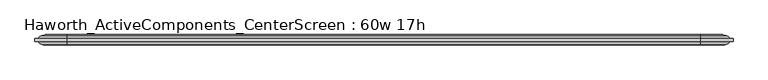
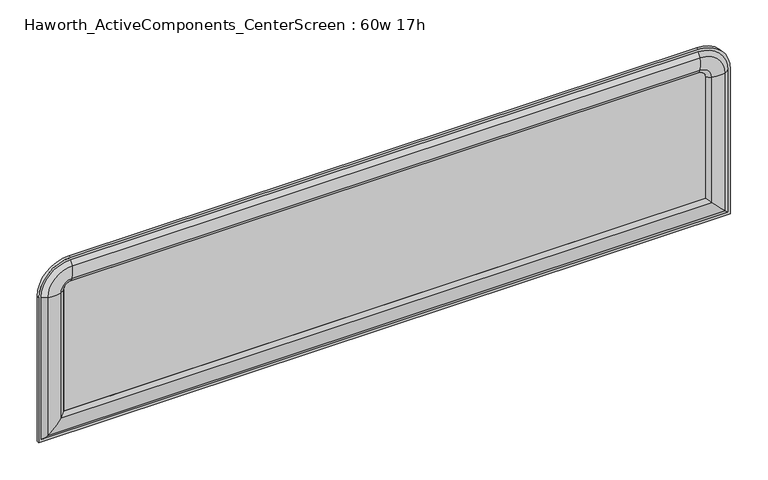
"""IFC4 building model written with IfcOpenShell, lengths in millimetres: furniture geometry, Haworth_ActiveComponents_CenterScreen : 60w 17h."""

from ifc_helpers import new_model, si_unit, point, frame, frame_2d, origin, place, context, project, spatial, polyline, circle_curve, ellipse_curve, trimmed, segment, composite_curve, outline, extrude, source, transform, mapped, element, save
from ifc_brep_helpers import plane_surface, cylinder_surface, revolved_surface, advanced_brep


def haworth_activecomponents_centerscreen_60w_17h_4ee113e7(model_context):
    return source(origin(), model_context, "Body", "SolidModel", [
        advanced_brep(
        [(-626.2471882, 166.5621484, 974.0564604), (-626.2471882, 172.9121484, 974.0564604), (-626.2471882, 172.9121484, 639.2852418), (-626.2471882, 166.5621484, 639.2852418), (-610.7190318, 159.9159876, 974.0564604), (-620.3740135, 166.5621484, 974.0564604), (-620.3740135, 166.5621484, 645.1584165), (-610.7190318, 159.9159876, 654.8133982), (-581.7377339, 160.4494239, 974.0564604), (-581.7377339, 160.4494239, 683.794696), (-571.944509, 166.5621484, 974.0564604), (-571.944509, 166.5621484, 693.587921), (-571.944509, 172.9121484, 974.0564604), (-571.944509, 172.9121484, 693.587921), (-581.7377339, 179.024873, 974.0564604), (-581.7377339, 179.024873, 683.794696), (-610.7190318, 179.5583093, 974.0564604), (-610.7190318, 179.5583093, 654.8133982), (-620.3740135, 172.9121484, 974.0564604), (-620.3740135, 172.9121484, 645.1584165), (889.7721859, 172.9121484, 639.2852418), (889.7721859, 166.5621484, 639.2852418), (883.8990112, 166.5621484, 645.1584165), (874.2440295, 159.9159876, 654.8133982), (845.2627317, 160.4494239, 683.794696), (835.4695068, 166.5621484, 693.587921), (835.4695068, 172.9121484, 693.587921), (845.2627317, 179.024873, 683.794696), (874.2440295, 179.5583093, 654.8133982), (883.8990112, 172.9121484, 645.1584165), (889.7721859, 172.9121484, 974.0564604), (889.7721859, 166.5621484, 974.0564604), (883.8990112, 166.5621484, 974.0564604), (874.2440295, 159.9159876, 974.0564604), (845.2627317, 160.4494239, 974.0564604), (835.4695068, 166.5621484, 974.0564604), (835.4695068, 172.9121484, 974.0564604), (845.2627317, 179.024873, 974.0564604), (874.2440295, 179.5583093, 974.0564604), (883.8990112, 172.9121484, 974.0564604), (819.5945068, 166.5621484, 1044.2341395), (819.5945068, 172.9121484, 1044.2341395), (819.5945068, 159.9159876, 1028.7059832), (819.5945068, 166.5621484, 1038.3609648), (819.5945068, 160.4494239, 999.7246853), (819.5945068, 166.5621484, 989.9314604), (819.5945068, 172.9121484, 989.9314604), (819.5945068, 179.024873, 999.7246853), (819.5945068, 179.5583093, 1028.7059832), (819.5945068, 172.9121484, 1038.3609648), (-556.069509, 172.9121484, 1044.2341395), (-556.069509, 166.5621484, 1044.2341395), (-556.069509, 166.5621484, 1038.3609648), (-556.069509, 159.9159876, 1028.7059832), (-556.069509, 160.4494239, 999.7246853), (-556.069509, 166.5621484, 989.9314604), (-556.069509, 172.9121484, 989.9314604), (-556.069509, 179.024873, 999.7246853), (-556.069509, 179.5583093, 1028.7059832), (-556.069509, 172.9121484, 1038.3609648)],
        [
            (0, 1),
            (1, 2),
            (2, 3),
            (3, 0),
            (4, 5, circle_curve(frame((-606.5239346, 176.3463227, 974.0564604), z_axis=(0.0, 0.0, -1.0), x_axis=(0.0, -1.0, 0.0)), 16.9574394)),
            (5, 6),
            (6, 7, ellipse_curve(frame((-606.5239346, 176.3463227, 659.0084954), z_axis=(-0.707106781186545, 0.0, 0.7071067811865499), x_axis=(0.7071067811865498, 0.0, 0.7071067811865452)), 23.9814408, 16.9574394)),
            (7, 4),
            (8, 4, circle_curve(frame((-597.1981786, 212.871172, 974.0564604), z_axis=(0.0, 0.0, -1.0), x_axis=(0.0, -1.0, 0.0)), 54.6540486)),
            (7, 9, ellipse_curve(frame((-597.1981786, 212.871172, 668.3342514), z_axis=(-0.707106781186545, 0.0, 0.7071067811865499), x_axis=(0.7071067811865498, 0.0, 0.7071067811865452)), 77.2924967, 54.6540486)),
            (9, 8),
            (10, 8, circle_curve(frame((-587.8325958, 181.115279, 974.0564604), z_axis=(0.0, 0.0, -1.0), x_axis=(0.0, -1.0, 0.0)), 21.5458792)),
            (9, 11, ellipse_curve(frame((-587.8325958, 181.115279, 677.6998342), z_axis=(-0.707106781186545, 0.0, 0.7071067811865499), x_axis=(0.7071067811865498, 0.0, 0.7071067811865452)), 30.4704745, 21.5458792)),
            (11, 10),
            (12, 10),
            (11, 13),
            (13, 12),
            (14, 12, circle_curve(frame((-587.8325958, 158.3590179, 974.0564604), z_axis=(0.0, 0.0, -1.0), x_axis=(0.0, -1.0, 0.0)), 21.5458792)),
            (13, 15, ellipse_curve(frame((-587.8325958, 158.3590179, 677.6998342), z_axis=(-0.707106781186545, 0.0, 0.7071067811865499), x_axis=(0.7071067811865498, 0.0, 0.7071067811865452)), 30.4704745, 21.5458792)),
            (15, 14),
            (16, 14, circle_curve(frame((-597.1981786, 126.6031249, 974.0564604), z_axis=(0.0, 0.0, -1.0), x_axis=(0.0, -1.0, 0.0)), 54.6540486)),
            (15, 17, ellipse_curve(frame((-597.1981786, 126.6031249, 668.3342514), z_axis=(-0.707106781186545, 0.0, 0.7071067811865499), x_axis=(0.7071067811865498, 0.0, 0.7071067811865452)), 77.2924967, 54.6540486)),
            (17, 16),
            (18, 16, circle_curve(frame((-606.5239346, 163.1279742, 974.0564604), z_axis=(0.0, 0.0, -1.0), x_axis=(0.0, -1.0, 0.0)), 16.9574394)),
            (17, 19, ellipse_curve(frame((-606.5239346, 163.1279742, 659.0084954), z_axis=(-0.707106781186545, 0.0, 0.7071067811865499), x_axis=(0.7071067811865498, 0.0, 0.7071067811865452)), 23.9814408, 16.9574394)),
            (19, 18),
            (2, 20),
            (20, 21),
            (21, 3),
            (6, 22),
            (22, 23, ellipse_curve(frame((870.0489323, 176.3463227, 659.0084954), z_axis=(-0.70710678118655, 0.0, -0.7071067811865451), x_axis=(-0.7071067811865449, 0.0, 0.7071067811865501)), 23.9814408, 16.9574394)),
            (23, 7),
            (23, 24, ellipse_curve(frame((860.7231764, 212.871172, 668.3342514), z_axis=(-0.70710678118655, 0.0, -0.7071067811865451), x_axis=(-0.7071067811865449, 0.0, 0.7071067811865501)), 77.2924967, 54.6540486)),
            (24, 9),
            (24, 25, ellipse_curve(frame((851.3575935, 181.115279, 677.6998342), z_axis=(-0.70710678118655, 0.0, -0.7071067811865451), x_axis=(-0.7071067811865449, 0.0, 0.7071067811865501)), 30.4704745, 21.5458792)),
            (25, 11),
            (25, 26),
            (26, 13),
            (26, 27, ellipse_curve(frame((851.3575935, 158.3590179, 677.6998342), z_axis=(-0.70710678118655, 0.0, -0.7071067811865451), x_axis=(-0.7071067811865449, 0.0, 0.7071067811865501)), 30.4704745, 21.5458792)),
            (27, 15),
            (27, 28, ellipse_curve(frame((860.7231764, 126.6031249, 668.3342514), z_axis=(-0.70710678118655, 0.0, -0.7071067811865451), x_axis=(-0.7071067811865449, 0.0, 0.7071067811865501)), 77.2924967, 54.6540486)),
            (28, 17),
            (28, 29, ellipse_curve(frame((870.0489323, 163.1279742, 659.0084954), z_axis=(-0.70710678118655, 0.0, -0.7071067811865451), x_axis=(-0.7071067811865449, 0.0, 0.7071067811865501)), 23.9814408, 16.9574394)),
            (29, 19),
            (20, 30),
            (30, 31),
            (31, 21),
            (22, 32),
            (32, 33, circle_curve(frame((870.0489323, 176.3463227, 974.0564604), z_axis=(0.0, 0.0, -1.0), x_axis=(0.0, -1.0, 0.0)), 16.9574394)),
            (33, 23),
            (33, 34, circle_curve(frame((860.7231764, 212.871172, 974.0564604), z_axis=(0.0, 0.0, -1.0), x_axis=(0.0, -1.0, 0.0)), 54.6540486)),
            (34, 24),
            (34, 35, circle_curve(frame((851.3575935, 181.115279, 974.0564604), z_axis=(0.0, 0.0, -1.0), x_axis=(0.0, -1.0, 0.0)), 21.5458792)),
            (35, 25),
            (35, 36),
            (36, 26),
            (36, 37, circle_curve(frame((851.3575935, 158.3590179, 974.0564604), z_axis=(0.0, 0.0, -1.0), x_axis=(0.0, -1.0, 0.0)), 21.5458792)),
            (37, 27),
            (37, 38, circle_curve(frame((860.7231764, 126.6031249, 974.0564604), z_axis=(0.0, 0.0, -1.0), x_axis=(0.0, -1.0, 0.0)), 54.6540486)),
            (38, 28),
            (38, 39, circle_curve(frame((870.0489323, 163.1279742, 974.0564604), z_axis=(0.0, 0.0, -1.0), x_axis=(0.0, -1.0, 0.0)), 16.9574394)),
            (39, 29),
            (40, 31, circle_curve(frame((819.5945068, 166.5621484, 974.0564604), z_axis=(0.0, 1.0, 0.0), x_axis=(1.0, 0.0, 0.0)), 70.1776791)),
            (30, 41, circle_curve(frame((819.5945068, 172.9121484, 974.0564604), z_axis=(0.0, -1.0, 0.0), x_axis=(1.0, 0.0, 0.0)), 70.1776791)),
            (41, 40),
            (42, 33, circle_curve(frame((819.5945068, 159.9159876, 974.0564604), z_axis=(0.0, 1.0, 0.0), x_axis=(1.0, 0.0, 0.0)), 54.6495228)),
            (32, 43, circle_curve(frame((819.5945068, 166.5621484, 974.0564604), z_axis=(0.0, -1.0, 0.0), x_axis=(1.0, 0.0, 0.0)), 64.3045045)),
            (43, 42, circle_curve(frame((819.5945068, 176.3463227, 1024.5108859), z_axis=(1.0, 0.0, 0.0), x_axis=(0.0, -1.0, 0.0)), 16.9574394)),
            (44, 34, circle_curve(frame((819.5945068, 160.4494239, 974.0564604), z_axis=(0.0, 1.0, 0.0), x_axis=(1.0, 0.0, 0.0)), 25.6682249)),
            (42, 44, circle_curve(frame((819.5945068, 212.871172, 1015.18513), z_axis=(1.0, 0.0, 0.0), x_axis=(0.0, -1.0, 0.0)), 54.6540486)),
            (45, 35, circle_curve(frame((819.5945068, 166.5621484, 974.0564604), z_axis=(0.0, 1.0, 0.0), x_axis=(1.0, 0.0, 0.0)), 15.875)),
            (44, 45, circle_curve(frame((819.5945068, 181.115279, 1005.8195471), z_axis=(1.0, 0.0, 0.0), x_axis=(0.0, -1.0, 0.0)), 21.5458792)),
            (46, 36, circle_curve(frame((819.5945068, 172.9121484, 974.0564604), z_axis=(0.0, 1.0, 0.0), x_axis=(1.0, 0.0, 0.0)), 15.875)),
            (45, 46),
            (47, 37, circle_curve(frame((819.5945068, 179.024873, 974.0564604), z_axis=(0.0, 1.0, 0.0), x_axis=(1.0, 0.0, 0.0)), 25.6682249)),
            (46, 47, circle_curve(frame((819.5945068, 158.3590179, 1005.8195471), z_axis=(1.0, 0.0, 0.0), x_axis=(0.0, -1.0, 0.0)), 21.5458792)),
            (48, 38, circle_curve(frame((819.5945068, 179.5583093, 974.0564604), z_axis=(0.0, 1.0, 0.0), x_axis=(1.0, 0.0, 0.0)), 54.6495228)),
            (47, 48, circle_curve(frame((819.5945068, 126.6031249, 1015.18513), z_axis=(1.0, 0.0, 0.0), x_axis=(0.0, -1.0, 0.0)), 54.6540486)),
            (49, 39, circle_curve(frame((819.5945068, 172.9121484, 974.0564604), z_axis=(0.0, 1.0, 0.0), x_axis=(1.0, 0.0, 0.0)), 64.3045045)),
            (48, 49, circle_curve(frame((819.5945068, 163.1279742, 1024.5108859), z_axis=(1.0, 0.0, 0.0), x_axis=(0.0, -1.0, 0.0)), 16.9574394)),
            (41, 50),
            (50, 51),
            (51, 40),
            (43, 52),
            (52, 53, circle_curve(frame((-556.069509, 176.3463227, 1024.5108859), z_axis=(1.0, 0.0, 0.0), x_axis=(0.0, -1.0, 0.0)), 16.9574394)),
            (53, 42),
            (53, 54, circle_curve(frame((-556.069509, 212.871172, 1015.18513), z_axis=(1.0, 0.0, 0.0), x_axis=(0.0, -1.0, 0.0)), 54.6540486)),
            (54, 44),
            (54, 55, circle_curve(frame((-556.069509, 181.115279, 1005.8195471), z_axis=(1.0, 0.0, 0.0), x_axis=(0.0, -1.0, 0.0)), 21.5458792)),
            (55, 45),
            (55, 56),
            (56, 46),
            (56, 57, circle_curve(frame((-556.069509, 158.3590179, 1005.8195471), z_axis=(1.0, 0.0, 0.0), x_axis=(0.0, -1.0, 0.0)), 21.5458792)),
            (57, 47),
            (57, 58, circle_curve(frame((-556.069509, 126.6031249, 1015.18513), z_axis=(1.0, 0.0, 0.0), x_axis=(0.0, -1.0, 0.0)), 54.6540486)),
            (58, 48),
            (58, 59, circle_curve(frame((-556.069509, 163.1279742, 1024.5108859), z_axis=(1.0, 0.0, 0.0), x_axis=(0.0, -1.0, 0.0)), 16.9574394)),
            (59, 49),
            (0, 51, circle_curve(frame((-556.069509, 166.5621484, 974.0564604), z_axis=(0.0, 1.0, 0.0), x_axis=(0.0, 0.0, 1.0)), 70.1776791)),
            (50, 1, circle_curve(frame((-556.069509, 172.9121484, 974.0564604), z_axis=(0.0, -1.0, 0.0), x_axis=(0.0, 0.0, 1.0)), 70.1776791)),
            (5, 52, circle_curve(frame((-556.069509, 166.5621484, 974.0564604), z_axis=(0.0, 1.0, 0.0), x_axis=(0.0, 0.0, 1.0)), 64.3045045)),
            (4, 53, circle_curve(frame((-556.069509, 159.9159876, 974.0564604), z_axis=(0.0, 1.0, 0.0), x_axis=(0.0, 0.0, 1.0)), 54.6495228)),
            (8, 54, circle_curve(frame((-556.069509, 160.4494239, 974.0564604), z_axis=(0.0, 1.0, 0.0), x_axis=(0.0, 0.0, 1.0)), 25.6682249)),
            (10, 55, circle_curve(frame((-556.069509, 166.5621484, 974.0564604), z_axis=(0.0, 1.0, 0.0), x_axis=(0.0, 0.0, 1.0)), 15.875)),
            (12, 56, circle_curve(frame((-556.069509, 172.9121484, 974.0564604), z_axis=(0.0, 1.0, 0.0), x_axis=(0.0, 0.0, 1.0)), 15.875)),
            (14, 57, circle_curve(frame((-556.069509, 179.024873, 974.0564604), z_axis=(0.0, 1.0, 0.0), x_axis=(0.0, 0.0, 1.0)), 25.6682249)),
            (16, 58, circle_curve(frame((-556.069509, 179.5583093, 974.0564604), z_axis=(0.0, 1.0, 0.0), x_axis=(0.0, 0.0, 1.0)), 54.6495228)),
            (18, 59, circle_curve(frame((-556.069509, 172.9121484, 974.0564604), z_axis=(0.0, 1.0, 0.0), x_axis=(0.0, 0.0, 1.0)), 64.3045045)),
        ],
        [
            plane_surface(frame((-626.2471882, 172.9121484, 974.0564604), z_axis=(-1.0, 0.0, 0.0), x_axis=(0.0, 0.0, -1.0))),
            cylinder_surface(frame((-606.5239346, 176.3463227, 974.0564604), z_axis=(0.0, 0.0, 1.0), x_axis=(0.0, -1.0, 0.0)), 16.9574394),
            cylinder_surface(frame((-597.1981786, 212.871172, 974.0564604), z_axis=(0.0, 0.0, 1.0), x_axis=(0.0, -1.0, 0.0)), 54.6540486),
            cylinder_surface(frame((-587.8325958, 181.115279, 974.0564604), z_axis=(0.0, 0.0, 1.0), x_axis=(0.0, -1.0, 0.0)), 21.5458792),
            plane_surface(frame((-571.944509, 166.5621484, 974.0564604), z_axis=(1.0, 0.0, 0.0), x_axis=(0.0, 0.0, -1.0))),
            cylinder_surface(frame((-587.8325958, 158.3590179, 974.0564604), z_axis=(0.0, 0.0, 1.0), x_axis=(0.0, -1.0, 0.0)), 21.5458792),
            cylinder_surface(frame((-597.1981786, 126.6031249, 974.0564604), z_axis=(0.0, 0.0, 1.0), x_axis=(0.0, -1.0, 0.0)), 54.6540486),
            cylinder_surface(frame((-606.5239346, 163.1279742, 974.0564604), z_axis=(0.0, 0.0, 1.0), x_axis=(0.0, -1.0, 0.0)), 16.9574394),
            plane_surface(frame((-626.2471882, 172.9121484, 639.2852418), z_axis=(0.0, 0.0, -1.0), x_axis=(1.0, 0.0, 0.0))),
            cylinder_surface(frame((-571.944509, 176.3463227, 659.0084954), z_axis=(-1.0, 0.0, 0.0), x_axis=(0.0, -1.0, 0.0)), 16.9574394),
            cylinder_surface(frame((-571.944509, 212.871172, 668.3342514), z_axis=(-1.0, 0.0, 0.0), x_axis=(0.0, -1.0, 0.0)), 54.6540486),
            cylinder_surface(frame((-571.944509, 181.115279, 677.6998342), z_axis=(-1.0, 0.0, 0.0), x_axis=(0.0, -1.0, 0.0)), 21.5458792),
            plane_surface(frame((-571.944509, 166.5621484, 693.587921), z_axis=(0.0, 0.0, 1.0), x_axis=(1.0, 0.0, 0.0))),
            cylinder_surface(frame((-571.944509, 158.3590179, 677.6998342), z_axis=(-1.0, 0.0, 0.0), x_axis=(0.0, -1.0, 0.0)), 21.5458792),
            cylinder_surface(frame((-571.944509, 126.6031249, 668.3342514), z_axis=(-1.0, 0.0, 0.0), x_axis=(0.0, -1.0, 0.0)), 54.6540486),
            cylinder_surface(frame((-571.944509, 163.1279742, 659.0084954), z_axis=(-1.0, 0.0, 0.0), x_axis=(0.0, -1.0, 0.0)), 16.9574394),
            plane_surface(frame((889.7721859, 172.9121484, 639.2852418), z_axis=(1.0, 0.0, 0.0), x_axis=(0.0, 0.0, 1.0))),
            cylinder_surface(frame((870.0489323, 176.3463227, 693.587921), z_axis=(0.0, 0.0, -1.0), x_axis=(0.0, -1.0, 0.0)), 16.9574394),
            cylinder_surface(frame((860.7231764, 212.871172, 693.587921), z_axis=(0.0, 0.0, -1.0), x_axis=(0.0, -1.0, 0.0)), 54.6540486),
            cylinder_surface(frame((851.3575935, 181.115279, 693.587921), z_axis=(0.0, 0.0, -1.0), x_axis=(0.0, -1.0, 0.0)), 21.5458792),
            plane_surface(frame((835.4695068, 166.5621484, 693.587921), z_axis=(-1.0, 0.0, 0.0), x_axis=(0.0, 0.0, 1.0))),
            cylinder_surface(frame((851.3575935, 158.3590179, 693.587921), z_axis=(0.0, 0.0, -1.0), x_axis=(0.0, -1.0, 0.0)), 21.5458792),
            cylinder_surface(frame((860.7231764, 126.6031249, 693.587921), z_axis=(0.0, 0.0, -1.0), x_axis=(0.0, -1.0, 0.0)), 54.6540486),
            cylinder_surface(frame((870.0489323, 163.1279742, 693.587921), z_axis=(0.0, 0.0, -1.0), x_axis=(0.0, -1.0, 0.0)), 16.9574394),
            cylinder_surface(frame((819.5945068, 166.5621484, 974.0564604), z_axis=(0.0, -1.0, 0.0), x_axis=(1.0, 0.0, 0.0)), 70.1776791),
            revolved_surface(trimmed(ellipse_curve(frame((870.0489323, 176.3463227, 974.0564604), z_axis=(0.0, 0.0, -1.0), x_axis=(0.0, -1.0, 0.0)), 16.9574394, 16.9574394), [point((883.8990112, 166.5621484, 974.0564604))], [point((874.2440295, 159.9159876, 974.0564604))], True, "CARTESIAN"), (819.5945068, 166.5621484, 974.0564604), (0.0, -1.0, 0.0)),
            revolved_surface(trimmed(ellipse_curve(frame((860.7231764, 212.871172, 974.0564604), z_axis=(0.0, 0.0, -1.0), x_axis=(0.0, -1.0, 0.0)), 54.6540486, 54.6540486), [point((874.2440295, 159.9159876, 974.0564604))], [point((845.2627317, 160.4494239, 974.0564604))], True, "CARTESIAN"), (819.5945068, 166.5621484, 974.0564604), (0.0, -1.0, 0.0)),
            revolved_surface(trimmed(ellipse_curve(frame((851.3575935, 181.115279, 974.0564604), z_axis=(0.0, 0.0, -1.0), x_axis=(0.0, -1.0, 0.0)), 21.5458792, 21.5458792), [point((845.2627317, 160.4494239, 974.0564604))], [point((835.4695068, 166.5621484, 974.0564604))], True, "CARTESIAN"), (819.5945068, 166.5621484, 974.0564604), (0.0, -1.0, 0.0)),
            revolved_surface(polyline([(835.4695068, 166.5621484, 974.0564604), (835.4695068, 172.9121484, 974.0564604)]), (819.5945068, 166.5621484, 974.0564604), (0.0, -1.0, 0.0)),
            revolved_surface(trimmed(ellipse_curve(frame((851.3575935, 158.3590179, 974.0564604), z_axis=(0.0, 0.0, -1.0), x_axis=(0.0, -1.0, 0.0)), 21.5458792, 21.5458792), [point((835.4695068, 172.9121484, 974.0564604))], [point((845.2627317, 179.024873, 974.0564604))], True, "CARTESIAN"), (819.5945068, 166.5621484, 974.0564604), (0.0, -1.0, 0.0)),
            revolved_surface(trimmed(ellipse_curve(frame((860.7231764, 126.6031249, 974.0564604), z_axis=(0.0, 0.0, -1.0), x_axis=(0.0, -1.0, 0.0)), 54.6540486, 54.6540486), [point((845.2627317, 179.024873, 974.0564604))], [point((874.2440295, 179.5583093, 974.0564604))], True, "CARTESIAN"), (819.5945068, 166.5621484, 974.0564604), (0.0, -1.0, 0.0)),
            revolved_surface(trimmed(ellipse_curve(frame((870.0489323, 163.1279742, 974.0564604), z_axis=(0.0, 0.0, -1.0), x_axis=(0.0, -1.0, 0.0)), 16.9574394, 16.9574394), [point((874.2440295, 179.5583093, 974.0564604))], [point((883.8990112, 172.9121484, 974.0564604))], True, "CARTESIAN"), (819.5945068, 166.5621484, 974.0564604), (0.0, -1.0, 0.0)),
            plane_surface(frame((819.5945068, 172.9121484, 1044.2341395), z_axis=(0.0, 0.0, 1.0), x_axis=(-1.0, 0.0, 0.0))),
            cylinder_surface(frame((819.5945068, 176.3463227, 1024.5108859), z_axis=(1.0, 0.0, 0.0), x_axis=(0.0, -1.0, 0.0)), 16.9574394),
            cylinder_surface(frame((819.5945068, 212.871172, 1015.18513), z_axis=(1.0, 0.0, 0.0), x_axis=(0.0, -1.0, 0.0)), 54.6540486),
            cylinder_surface(frame((819.5945068, 181.115279, 1005.8195471), z_axis=(1.0, 0.0, 0.0), x_axis=(0.0, -1.0, 0.0)), 21.5458792),
            plane_surface(frame((819.5945068, 166.5621484, 989.9314604), z_axis=(0.0, 0.0, -1.0), x_axis=(-1.0, 0.0, 0.0))),
            cylinder_surface(frame((819.5945068, 158.3590179, 1005.8195471), z_axis=(1.0, 0.0, 0.0), x_axis=(0.0, -1.0, 0.0)), 21.5458792),
            cylinder_surface(frame((819.5945068, 126.6031249, 1015.18513), z_axis=(1.0, 0.0, 0.0), x_axis=(0.0, -1.0, 0.0)), 54.6540486),
            cylinder_surface(frame((819.5945068, 163.1279742, 1024.5108859), z_axis=(1.0, 0.0, 0.0), x_axis=(0.0, -1.0, 0.0)), 16.9574394),
            cylinder_surface(frame((-556.069509, 166.5621484, 974.0564604), z_axis=(0.0, -1.0, 0.0), x_axis=(0.0, 0.0, 1.0)), 70.1776791),
            plane_surface(frame((-556.069509, 166.5621484, 974.0564604), z_axis=(0.0, -1.0, 0.0), x_axis=(0.0, 0.0, 1.0))),
            revolved_surface(trimmed(ellipse_curve(frame((-556.069509, 176.3463227, 1024.5108859), z_axis=(1.0, 0.0, 0.0), x_axis=(0.0, -1.0, 0.0)), 16.9574394, 16.9574394), [point((-556.069509, 166.5621484, 1038.3609648))], [point((-556.069509, 159.9159876, 1028.7059832))], True, "CARTESIAN"), (-556.069509, 166.5621484, 974.0564604), (0.0, -1.0, 0.0)),
            revolved_surface(trimmed(ellipse_curve(frame((-556.069509, 212.871172, 1015.18513), z_axis=(1.0, 0.0, 0.0), x_axis=(0.0, -1.0, 0.0)), 54.6540486, 54.6540486), [point((-556.069509, 159.9159876, 1028.7059832))], [point((-556.069509, 160.4494239, 999.7246853))], True, "CARTESIAN"), (-556.069509, 166.5621484, 974.0564604), (0.0, -1.0, 0.0)),
            revolved_surface(trimmed(ellipse_curve(frame((-556.069509, 181.115279, 1005.8195471), z_axis=(1.0, 0.0, 0.0), x_axis=(0.0, -1.0, 0.0)), 21.5458792, 21.5458792), [point((-556.069509, 160.4494239, 999.7246853))], [point((-556.069509, 166.5621484, 989.9314604))], True, "CARTESIAN"), (-556.069509, 166.5621484, 974.0564604), (0.0, -1.0, 0.0)),
            revolved_surface(polyline([(-556.069509, 166.5621484, 989.9314604), (-556.069509, 172.9121484, 989.9314604)]), (-556.069509, 166.5621484, 974.0564604), (0.0, -1.0, 0.0)),
            revolved_surface(trimmed(ellipse_curve(frame((-556.069509, 158.3590179, 1005.8195471), z_axis=(1.0, 0.0, 0.0), x_axis=(0.0, -1.0, 0.0)), 21.5458792, 21.5458792), [point((-556.069509, 172.9121484, 989.9314604))], [point((-556.069509, 179.024873, 999.7246853))], True, "CARTESIAN"), (-556.069509, 166.5621484, 974.0564604), (0.0, -1.0, 0.0)),
            revolved_surface(trimmed(ellipse_curve(frame((-556.069509, 126.6031249, 1015.18513), z_axis=(1.0, 0.0, 0.0), x_axis=(0.0, -1.0, 0.0)), 54.6540486, 54.6540486), [point((-556.069509, 179.024873, 999.7246853))], [point((-556.069509, 179.5583093, 1028.7059832))], True, "CARTESIAN"), (-556.069509, 166.5621484, 974.0564604), (0.0, -1.0, 0.0)),
            revolved_surface(trimmed(ellipse_curve(frame((-556.069509, 163.1279742, 1024.5108859), z_axis=(1.0, 0.0, 0.0), x_axis=(0.0, -1.0, 0.0)), 16.9574394, 16.9574394), [point((-556.069509, 179.5583093, 1028.7059832))], [point((-556.069509, 172.9121484, 1038.3609648))], True, "CARTESIAN"), (-556.069509, 166.5621484, 974.0564604), (0.0, -1.0, 0.0)),
            plane_surface(frame((-556.069509, 172.9121484, 974.0564604), z_axis=(0.0, 1.0, 0.0), x_axis=(0.0, 0.0, 1.0))),
        ],
        [
            (0, [[1, 2, 3, 4]]),
            (1, [[5, 6, 7, 8]]),
            (2, [[9, -8, 10, 11]]),
            (3, [[12, -11, 13, 14]]),
            (4, [[15, -14, 16, 17]]),
            (5, [[18, -17, 19, 20]]),
            (6, [[21, -20, 22, 23]]),
            (7, [[24, -23, 25, 26]]),
            (8, [[-3, 27, 28, 29]]),
            (9, [[-7, 30, 31, 32]]),
            (10, [[-10, -32, 33, 34]]),
            (11, [[-13, -34, 35, 36]]),
            (12, [[-16, -36, 37, 38]]),
            (13, [[-19, -38, 39, 40]]),
            (14, [[-22, -40, 41, 42]]),
            (15, [[-25, -42, 43, 44]]),
            (16, [[-28, 45, 46, 47]]),
            (17, [[-31, 48, 49, 50]]),
            (18, [[-33, -50, 51, 52]]),
            (19, [[-35, -52, 53, 54]]),
            (20, [[-37, -54, 55, 56]]),
            (21, [[-39, -56, 57, 58]]),
            (22, [[-41, -58, 59, 60]]),
            (23, [[-43, -60, 61, 62]]),
            (24, [[63, -46, 64, 65]]),
            (25, [[66, -49, 67, 68]]),
            (26, [[69, -51, -66, 70]]),
            (27, [[71, -53, -69, 72]]),
            (28, [[73, -55, -71, 74]]),
            (29, [[75, -57, -73, 76]]),
            (30, [[77, -59, -75, 78]]),
            (31, [[79, -61, -77, 80]]),
            (32, [[-65, 81, 82, 83]]),
            (33, [[-68, 84, 85, 86]]),
            (34, [[-70, -86, 87, 88]]),
            (35, [[-72, -88, 89, 90]]),
            (36, [[-74, -90, 91, 92]]),
            (37, [[-76, -92, 93, 94]]),
            (38, [[-78, -94, 95, 96]]),
            (39, [[-80, -96, 97, 98]]),
            (40, [[99, -82, 100, -1]]),
            (41, [[-63, -83, -99, -4, -29, -47], [101, -84, -67, -48, -30, -6]]),
            (42, [[102, -85, -101, -5]]),
            (43, [[103, -87, -102, -9]]),
            (44, [[104, -89, -103, -12]]),
            (45, [[105, -91, -104, -15]]),
            (46, [[106, -93, -105, -18]]),
            (47, [[107, -95, -106, -21]]),
            (48, [[108, -97, -107, -24]]),
            (49, [[-100, -81, -64, -45, -27, -2], [-79, -98, -108, -26, -44, -62]]),
        ],
    ),
        extrude(outline(composite_curve([segment(polyline([(693.587921, 835.4695068), (974.0564604, 835.4695068)]), True, "CONTINUOUS"), segment(trimmed(circle_curve(frame_2d((974.0564604, 819.5945068)), 15.875), [point((974.0564604, 835.4695068))], [point((989.9314604, 819.5945068))], False, "CARTESIAN"), True, "CONTINUOUS"), segment(polyline([(989.9314604, 819.5945068), (989.9314604, -556.069509)]), True, "CONTINUOUS"), segment(trimmed(circle_curve(frame_2d((974.0564604, -556.069509)), 15.875), [point((989.9314604, -556.069509))], [point((974.0564604, -571.944509))], False, "CARTESIAN"), True, "CONTINUOUS"), segment(polyline([(974.0564604, -571.944509), (693.587921, -571.944509), (693.587921, 835.4695068)]), True, "CONTINUOUS")], self_intersect=False)), frame((0.0, 166.5621484, 0.0), z_axis=(0.0, 1.0, 0.0), x_axis=(0.0, 0.0, 1.0)), (0.0, 0.0, 1.0), 6.35),
    ])


if __name__ == "__main__":
    model = new_model("IFC4")
    model_context = context("Model", 3, world=origin())
    ifc_project = project(units=[si_unit("LENGTHUNIT", "METRE", prefix="MILLI")], contexts=[model_context])
    site = spatial("IfcSite", under=ifc_project)
    building = spatial("IfcBuilding", under=site)
    placement = place(None, origin())
    haworth_activecomponents_centerscreen_60w_17h_shape = haworth_activecomponents_centerscreen_60w_17h_4ee113e7(model_context)
    element("IfcFurniture", 1, ObjectType="Haworth_ActiveComponents_CenterScreen : 60w 17h", at=placement, inside=building, context=model_context, shape_type="MappedRepresentation", body=[
        mapped(haworth_activecomponents_centerscreen_60w_17h_shape, transform((0.0, 0.0, 0.0), x_axis=(1.0, 0.0, 0.0), y_axis=(0.0, 1.0, 0.0), z_axis=(0.0, 0.0, 1.0))),
    ])
    save(model, "model.ifc")
